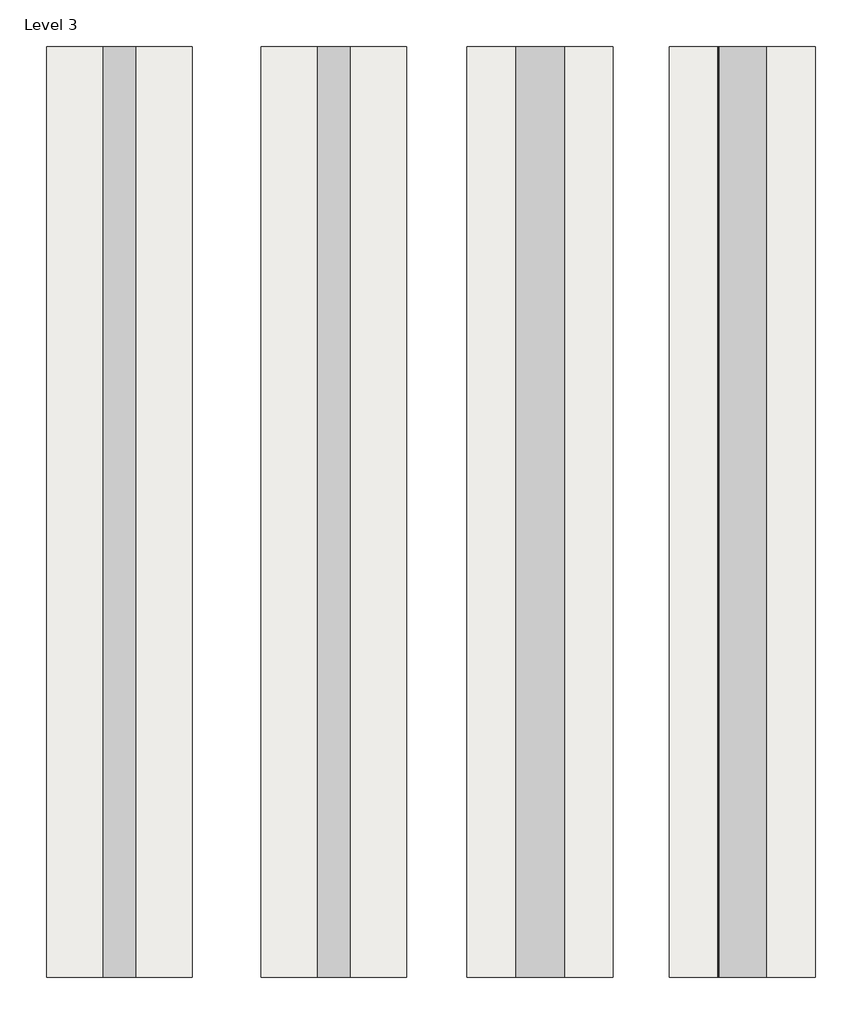
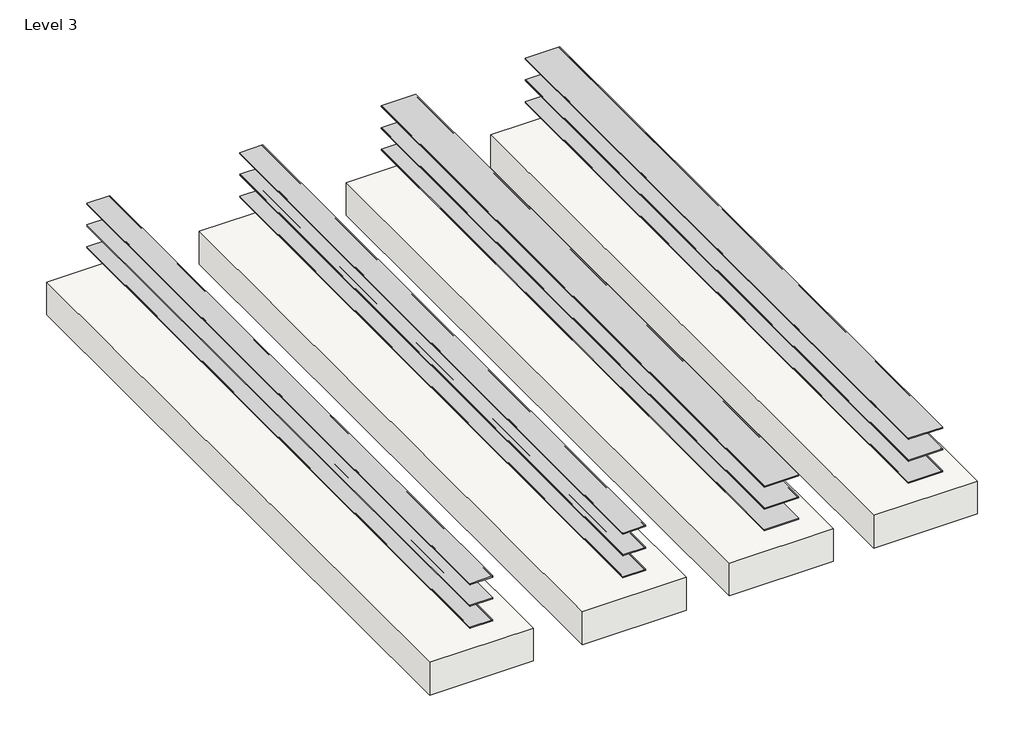
# One storey: 12 proxies, 4 footings.
"""IFC4 building model written with IfcOpenShell, lengths in millimetres."""

from ifc_helpers import new_model, si_unit, point, frame, frame_2d, origin, place, context, project, spatial, polyline, circle_curve, trimmed, segment, composite_curve, outline, extrude, element, save

model = new_model("IFC4")

# Units and contexts
model_context = context("Model", 3, world=origin())
ifc_project = project(units=[si_unit("LENGTHUNIT", "METRE", prefix="MILLI")], contexts=[model_context])

# Site, building, storey
site = spatial("IfcSite", under=ifc_project)
building = spatial("IfcBuilding", under=site)
storey = spatial("IfcBuildingStorey", under=building, Name="Level 3", Elevation=-609.6)

# Proxies
placement = place(None, origin())
element("IfcBuildingElementProxy", 1, Name="Reveals", at=placement, inside=storey, context=model_context, shape_type="SweptSolid", body=[
    extrude(outline(composite_curve([segment(trimmed(circle_curve(frame_2d((-4.7625, -16224.8026773)), 4.7625), [point((-9.525, -16224.8026773))], [point((0.0, -16224.8026773))], True, "CARTESIAN"), True, "CONTINUOUS"), segment(polyline([(0.0, -16224.8026773), (0.0, -16529.6026773)]), True, "CONTINUOUS"), segment(trimmed(circle_curve(frame_2d((-4.7625, -16529.6026773)), 4.7625), [point((0.0, -16529.6026773))], [point((-9.525, -16529.6026773))], True, "CARTESIAN"), True, "CONTINUOUS"), segment(polyline([(-9.525, -16529.6026773), (-9.525, -16224.8026773)]), True, "CONTINUOUS")], self_intersect=False)), frame((0.0, 3227.6377356, 0.0), z_axis=(0.0, 1.0, 0.0), x_axis=(0.0, 0.0, 1.0)), (0.0, 0.0, 1.0), 5842.0),
])
element("IfcBuildingElementProxy", 2, Name="Reveals", at=placement, inside=storey, context=model_context, shape_type="SweptSolid", body=[
    extrude(outline(composite_curve([segment(trimmed(circle_curve(frame_2d((-207.9625, -16224.8026773)), 4.7625), [point((-212.725, -16224.8026773))], [point((-203.2, -16224.8026773))], True, "CARTESIAN"), True, "CONTINUOUS"), segment(polyline([(-203.2, -16224.8026773), (-203.2, -16529.6026773)]), True, "CONTINUOUS"), segment(trimmed(circle_curve(frame_2d((-207.9625, -16529.6026773)), 4.7625), [point((-203.2, -16529.6026773))], [point((-212.725, -16529.6026773))], True, "CARTESIAN"), True, "CONTINUOUS"), segment(polyline([(-212.725, -16529.6026773), (-212.725, -16224.8026773)]), True, "CONTINUOUS")], self_intersect=False)), frame((0.0, 3227.6377356, 0.0), z_axis=(0.0, 1.0, 0.0), x_axis=(0.0, 0.0, 1.0)), (0.0, 0.0, 1.0), 5842.0),
])
element("IfcBuildingElementProxy", 3, Name="Reveals", at=placement, inside=storey, context=model_context, shape_type="SweptSolid", body=[
    extrude(outline(composite_curve([segment(trimmed(circle_curve(frame_2d((-411.1625, -16224.8026773)), 4.7625), [point((-415.925, -16224.8026773))], [point((-406.4, -16224.8026773))], True, "CARTESIAN"), True, "CONTINUOUS"), segment(polyline([(-406.4, -16224.8026773), (-406.4, -16529.6026773)]), True, "CONTINUOUS"), segment(trimmed(circle_curve(frame_2d((-411.1625, -16529.6026773)), 4.7625), [point((-406.4, -16529.6026773))], [point((-415.925, -16529.6026773))], True, "CARTESIAN"), True, "CONTINUOUS"), segment(polyline([(-415.925, -16529.6026773), (-415.925, -16224.8026773)]), True, "CONTINUOUS")], self_intersect=False)), frame((0.0, 3227.6377356, 0.0), z_axis=(0.0, 1.0, 0.0), x_axis=(0.0, 0.0, 1.0)), (0.0, 0.0, 1.0), 5842.0),
])
element("IfcBuildingElementProxy", 4, Name="Reveals", at=placement, inside=storey, context=model_context, shape_type="SweptSolid", body=[
    extrude(outline(composite_curve([segment(trimmed(circle_curve(frame_2d((-4.7625, -17571.0026773)), 4.7625), [point((-9.525, -17571.0026773))], [point((0.0, -17571.0026773))], True, "CARTESIAN"), True, "CONTINUOUS"), segment(polyline([(0.0, -17571.0026773), (0.0, -17774.2026773)]), True, "CONTINUOUS"), segment(trimmed(circle_curve(frame_2d((-4.7625, -17774.2026773)), 4.7625), [point((0.0, -17774.2026773))], [point((-9.525, -17774.2026773))], True, "CARTESIAN"), True, "CONTINUOUS"), segment(polyline([(-9.525, -17774.2026773), (-9.525, -17571.0026773)]), True, "CONTINUOUS")], self_intersect=False)), frame((0.0, 3227.6377356, 0.0), z_axis=(0.0, 1.0, 0.0), x_axis=(0.0, 0.0, 1.0)), (0.0, 0.0, 1.0), 5842.0),
])
element("IfcBuildingElementProxy", 5, Name="Reveals", at=placement, inside=storey, context=model_context, shape_type="SweptSolid", body=[
    extrude(outline(composite_curve([segment(trimmed(circle_curve(frame_2d((-207.9625, -17571.0026773)), 4.7625), [point((-212.725, -17571.0026773))], [point((-203.2, -17571.0026773))], True, "CARTESIAN"), True, "CONTINUOUS"), segment(polyline([(-203.2, -17571.0026773), (-203.2, -17774.2026773)]), True, "CONTINUOUS"), segment(trimmed(circle_curve(frame_2d((-207.9625, -17774.2026773)), 4.7625), [point((-203.2, -17774.2026773))], [point((-212.725, -17774.2026773))], True, "CARTESIAN"), True, "CONTINUOUS"), segment(polyline([(-212.725, -17774.2026773), (-212.725, -17571.0026773)]), True, "CONTINUOUS")], self_intersect=False)), frame((0.0, 3227.6377356, 0.0), z_axis=(0.0, 1.0, 0.0), x_axis=(0.0, 0.0, 1.0)), (0.0, 0.0, 1.0), 5842.0),
])
element("IfcBuildingElementProxy", 6, Name="Reveals", at=placement, inside=storey, context=model_context, shape_type="SweptSolid", body=[
    extrude(outline(composite_curve([segment(trimmed(circle_curve(frame_2d((-411.1625, -17571.0026773)), 4.7625), [point((-415.925, -17571.0026773))], [point((-406.4, -17571.0026773))], True, "CARTESIAN"), True, "CONTINUOUS"), segment(polyline([(-406.4, -17571.0026773), (-406.4, -17774.2026773)]), True, "CONTINUOUS"), segment(trimmed(circle_curve(frame_2d((-411.1625, -17774.2026773)), 4.7625), [point((-406.4, -17774.2026773))], [point((-415.925, -17774.2026773))], True, "CARTESIAN"), True, "CONTINUOUS"), segment(polyline([(-415.925, -17774.2026773), (-415.925, -17571.0026773)]), True, "CONTINUOUS")], self_intersect=False)), frame((0.0, 3227.6377356, 0.0), z_axis=(0.0, 1.0, 0.0), x_axis=(0.0, 0.0, 1.0)), (0.0, 0.0, 1.0), 5842.0),
])
element("IfcBuildingElementProxy", 7, Name="Reveals", at=placement, inside=storey, context=model_context, shape_type="SweptSolid", body=[
    extrude(outline(composite_curve([segment(trimmed(circle_curve(frame_2d((-4.7625, -18917.2026773)), 4.7625), [point((-9.525, -18917.2026773))], [point((0.0, -18917.2026773))], True, "CARTESIAN"), True, "CONTINUOUS"), segment(polyline([(0.0, -18917.2026773), (0.0, -19120.4026773)]), True, "CONTINUOUS"), segment(trimmed(circle_curve(frame_2d((-4.7625, -19120.4026773)), 4.7625), [point((0.0, -19120.4026773))], [point((-9.525, -19120.4026773))], True, "CARTESIAN"), True, "CONTINUOUS"), segment(polyline([(-9.525, -19120.4026773), (-9.525, -18917.2026773)]), True, "CONTINUOUS")], self_intersect=False)), frame((0.0, 3227.6377356, 0.0), z_axis=(0.0, 1.0, 0.0), x_axis=(0.0, 0.0, 1.0)), (0.0, 0.0, 1.0), 5842.0),
])
element("IfcBuildingElementProxy", 8, Name="Reveals", at=placement, inside=storey, context=model_context, shape_type="SweptSolid", body=[
    extrude(outline(composite_curve([segment(trimmed(circle_curve(frame_2d((-207.9625, -18917.2026773)), 4.7625), [point((-212.725, -18917.2026773))], [point((-203.2, -18917.2026773))], True, "CARTESIAN"), True, "CONTINUOUS"), segment(polyline([(-203.2, -18917.2026773), (-203.2, -19120.4026773)]), True, "CONTINUOUS"), segment(trimmed(circle_curve(frame_2d((-207.9625, -19120.4026773)), 4.7625), [point((-203.2, -19120.4026773))], [point((-212.725, -19120.4026773))], True, "CARTESIAN"), True, "CONTINUOUS"), segment(polyline([(-212.725, -19120.4026773), (-212.725, -18917.2026773)]), True, "CONTINUOUS")], self_intersect=False)), frame((0.0, 3227.6377356, 0.0), z_axis=(0.0, 1.0, 0.0), x_axis=(0.0, 0.0, 1.0)), (0.0, 0.0, 1.0), 5842.0),
])
element("IfcBuildingElementProxy", 9, Name="Reveals", at=placement, inside=storey, context=model_context, shape_type="SweptSolid", body=[
    extrude(outline(composite_curve([segment(trimmed(circle_curve(frame_2d((-411.1625, -18917.2026773)), 4.7625), [point((-415.925, -18917.2026773))], [point((-406.4, -18917.2026773))], True, "CARTESIAN"), True, "CONTINUOUS"), segment(polyline([(-406.4, -18917.2026773), (-406.4, -19120.4026773)]), True, "CONTINUOUS"), segment(trimmed(circle_curve(frame_2d((-411.1625, -19120.4026773)), 4.7625), [point((-406.4, -19120.4026773))], [point((-415.925, -19120.4026773))], True, "CARTESIAN"), True, "CONTINUOUS"), segment(polyline([(-415.925, -19120.4026773), (-415.925, -18917.2026773)]), True, "CONTINUOUS")], self_intersect=False)), frame((0.0, 3227.6377356, 0.0), z_axis=(0.0, 1.0, 0.0), x_axis=(0.0, 0.0, 1.0)), (0.0, 0.0, 1.0), 5842.0),
])
element("IfcBuildingElementProxy", 10, Name="Reveals", at=placement, inside=storey, context=model_context, shape_type="SweptSolid", body=[
    extrude(outline(composite_curve([segment(trimmed(circle_curve(frame_2d((-4.7625, -14954.8026773)), 4.7625), [point((-9.525, -14954.8026773))], [point((0.0, -14954.8026773))], True, "CARTESIAN"), True, "CONTINUOUS"), segment(polyline([(0.0, -14954.8026773), (0.0, -15259.6026773)]), True, "CONTINUOUS"), segment(trimmed(circle_curve(frame_2d((-4.7625, -15259.6026773)), 4.7625), [point((0.0, -15259.6026773))], [point((-9.525, -15259.6026773))], True, "CARTESIAN"), True, "CONTINUOUS"), segment(polyline([(-9.525, -15259.6026773), (-9.525, -14954.8026773)]), True, "CONTINUOUS")], self_intersect=False)), frame((0.0, 3227.6377356, 0.0), z_axis=(0.0, 1.0, 0.0), x_axis=(0.0, 0.0, 1.0)), (0.0, 0.0, 1.0), 5842.0),
])
element("IfcBuildingElementProxy", 11, Name="Reveals", at=placement, inside=storey, context=model_context, shape_type="SweptSolid", body=[
    extrude(outline(composite_curve([segment(trimmed(circle_curve(frame_2d((-207.9625, -14954.8026773)), 4.7625), [point((-212.725, -14954.8026773))], [point((-203.2, -14954.8026773))], True, "CARTESIAN"), True, "CONTINUOUS"), segment(polyline([(-203.2, -14954.8026773), (-203.2, -15259.6026773)]), True, "CONTINUOUS"), segment(trimmed(circle_curve(frame_2d((-207.9625, -15259.6026773)), 4.7625), [point((-203.2, -15259.6026773))], [point((-212.725, -15259.6026773))], True, "CARTESIAN"), True, "CONTINUOUS"), segment(polyline([(-212.725, -15259.6026773), (-212.725, -14954.8026773)]), True, "CONTINUOUS")], self_intersect=False)), frame((0.0, 3227.6377356, 0.0), z_axis=(0.0, 1.0, 0.0), x_axis=(0.0, 0.0, 1.0)), (0.0, 0.0, 1.0), 5842.0),
])
element("IfcBuildingElementProxy", 12, Name="Reveals", at=placement, inside=storey, context=model_context, shape_type="SweptSolid", body=[
    extrude(outline(composite_curve([segment(trimmed(circle_curve(frame_2d((-411.1625, -14954.8026773)), 4.7625), [point((-415.925, -14954.8026773))], [point((-406.4, -14954.8026773))], True, "CARTESIAN"), True, "CONTINUOUS"), segment(polyline([(-406.4, -14954.8026773), (-406.4, -15259.6026773)]), True, "CONTINUOUS"), segment(trimmed(circle_curve(frame_2d((-411.1625, -15259.6026773)), 4.7625), [point((-406.4, -15259.6026773))], [point((-415.925, -15259.6026773))], True, "CARTESIAN"), True, "CONTINUOUS"), segment(polyline([(-415.925, -15259.6026773), (-415.925, -14954.8026773)]), True, "CONTINUOUS")], self_intersect=False)), frame((0.0, 3227.6377356, 0.0), z_axis=(0.0, 1.0, 0.0), x_axis=(0.0, 0.0, 1.0)), (0.0, 0.0, 1.0), 5842.0),
])

# Footings
element("IfcFooting", 13, ObjectType="Bearing Footing - 36\" x 12\"", at=placement, inside=storey, context=model_context, shape_type="SweptSolid", body=[
    extrude(outline(polyline([(-15920.0026773, 3227.6377356), (-16834.4026773, 3227.6377356), (-16834.4026773, 9069.6377356), (-15920.0026773, 9069.6377356), (-15920.0026773, 3227.6377356)])), frame((0.0, 0.0, -914.4), z_axis=(0.0, 0.0, 1.0), x_axis=(1.0, 0.0, 0.0)), (0.0, 0.0, 1.0), 304.8),
])
element("IfcFooting", 14, ObjectType="Bearing Footing - 36\" x 12\"", at=placement, inside=storey, context=model_context, shape_type="SweptSolid", body=[
    extrude(outline(polyline([(-17215.4026773, 3227.6377356), (-18129.8026773, 3227.6377356), (-18129.8026773, 9069.6377356), (-17215.4026773, 9069.6377356), (-17215.4026773, 3227.6377356)])), frame((0.0, 0.0, -914.4), z_axis=(0.0, 0.0, 1.0), x_axis=(1.0, 0.0, 0.0)), (0.0, 0.0, 1.0), 304.8),
])
element("IfcFooting", 15, ObjectType="Bearing Footing - 36\" x 12\"", at=placement, inside=storey, context=model_context, shape_type="SweptSolid", body=[
    extrude(outline(polyline([(-18561.6026773, 3227.6377356), (-19476.0026773, 3227.6377356), (-19476.0026773, 9069.6377356), (-18561.6026773, 9069.6377356), (-18561.6026773, 3227.6377356)])), frame((0.0, 0.0, -914.4), z_axis=(0.0, 0.0, 1.0), x_axis=(1.0, 0.0, 0.0)), (0.0, 0.0, 1.0), 304.8),
])
element("IfcFooting", 16, ObjectType="Bearing Footing - 36\" x 12\"", at=placement, inside=storey, context=model_context, shape_type="SweptSolid", body=[
    extrude(outline(polyline([(-14650.0026773, 3227.6377356), (-15564.4026773, 3227.6377356), (-15564.4026773, 9069.6377356), (-14650.0026773, 9069.6377356), (-14650.0026773, 3227.6377356)])), frame((0.0, 0.0, -914.4), z_axis=(0.0, 0.0, 1.0), x_axis=(1.0, 0.0, 0.0)), (0.0, 0.0, 1.0), 304.8),
])

save(model, "model.ifc")
